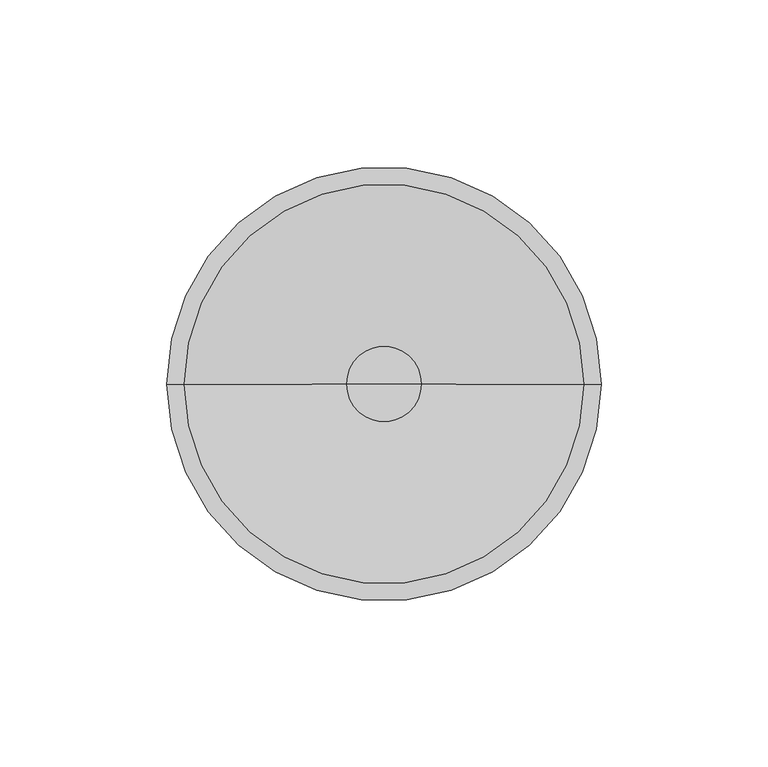
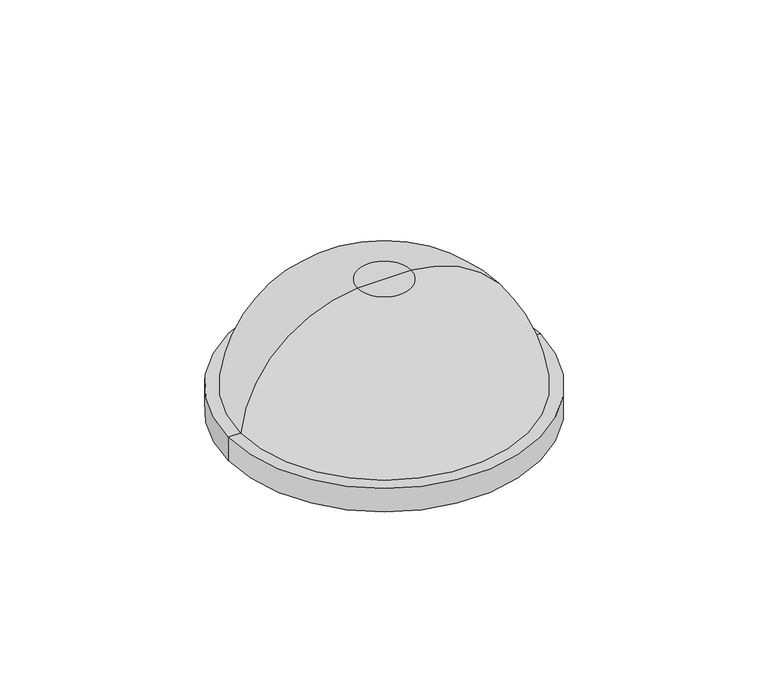
"""IFC4 building model written with IfcOpenShell, lengths in millimetres: light fixture geometry."""

from ifc_helpers import new_model, si_unit, point, frame, origin, place, context, project, spatial, circle_curve, ellipse_curve, trimmed, source, transform, mapped, element, save
from ifc_brep_helpers import plane_surface, cylinder_surface, revolved_surface, advanced_brep


def light_fixture_85058363(model_context):
    return source(origin(), model_context, "Body", "AdvancedBrep", [
        advanced_brep(
        [(59.8, 0.0, 10.4), (-59.8, 0.0, 10.4), (-11.3264966, 0.0, 57.2), (11.3264966, 0.0, 57.2), (65.0, 0.0, 10.4), (-65.0, 0.0, 10.4), (65.0, 0.0, 0.0), (-65.0, 0.0, 0.0), (-65.0, 0.0, 2.6), (-65.0, 0.0, 5.2), (-65.0, 0.0, 7.8), (65.0, 0.0, 7.8), (65.0, 0.0, 5.2), (65.0, 0.0, 2.6), (54.6, 0.0, 0.0), (-54.6, 0.0, 0.0), (11.2459085, 0.0, 46.8), (-11.2459085, 0.0, 46.8), (-53.9265768, 0.0, 7.8), (-54.520638, 0.0, 2.6), (54.520638, 0.0, 2.6), (53.9265768, 0.0, 7.8), (5.2, 0.0, 46.8), (-5.2, 0.0, 46.8), (0.0, 0.0, 57.2), (5.2, 0.0, 35.4), (-5.2, 0.0, 35.4), (1.0, 0.0, 31.2), (-1.0, 0.0, 31.2), (0.0, 0.0, 31.2)],
        [
            (0, 1, circle_curve(frame((0.0, 0.0, 10.4), z_axis=(0.0, 0.0, 1.0), x_axis=(-1.0, 0.0, 0.0)), 59.8)),
            (1, 2, circle_curve(frame((-7.7726178, 0.0, 5.0156149), z_axis=(0.0, 1.0, 0.0), x_axis=(1.0, 0.0, 0.0)), 52.3052589)),
            (2, 3, circle_curve(frame((0.0, 0.0, 57.2), z_axis=(0.0, 0.0, -1.0), x_axis=(-1.0, 0.0, 0.0)), 11.3264966)),
            (3, 0, circle_curve(frame((7.7726178, 0.0, 5.0156149), z_axis=(0.0, 1.0, 0.0), x_axis=(-1.0, 0.0, 0.0)), 52.3052589)),
            (1, 0, circle_curve(frame((0.0, 0.0, 10.4), z_axis=(0.0, 0.0, 1.0), x_axis=(-1.0, 0.0, 0.0)), 59.8)),
            (3, 2, circle_curve(frame((0.0, 0.0, 57.2), z_axis=(0.0, 0.0, -1.0), x_axis=(-1.0, 0.0, 0.0)), 11.3264966)),
            (4, 5, circle_curve(frame((0.0, 0.0, 10.4), z_axis=(0.0, 0.0, 1.0), x_axis=(-1.0, 0.0, 0.0)), 65.0)),
            (5, 1),
            (0, 4),
            (5, 4, circle_curve(frame((0.0, 0.0, 10.4), z_axis=(0.0, 0.0, 1.0), x_axis=(-1.0, 0.0, 0.0)), 65.0)),
            (6, 7, circle_curve(frame((0.0, 0.0, 0.0), z_axis=(0.0, 0.0, 1.0), x_axis=(-1.0, 0.0, 0.0)), 65.0)),
            (7, 8),
            (8, 9),
            (9, 10),
            (10, 5),
            (4, 11),
            (11, 12),
            (12, 13),
            (13, 6),
            (7, 6, circle_curve(frame((0.0, 0.0, 0.0), z_axis=(0.0, 0.0, 1.0), x_axis=(-1.0, 0.0, 0.0)), 65.0)),
            (14, 15, circle_curve(frame((0.0, 0.0, 0.0), z_axis=(0.0, 0.0, 1.0), x_axis=(-1.0, 0.0, 0.0)), 54.6)),
            (15, 7),
            (6, 14),
            (15, 14, circle_curve(frame((0.0, 0.0, 0.0), z_axis=(0.0, 0.0, 1.0), x_axis=(-1.0, 0.0, 0.0)), 54.6)),
            (16, 17, circle_curve(frame((0.0, 0.0, 46.8), z_axis=(0.0, 0.0, 1.0), x_axis=(-1.0, 0.0, 0.0)), 11.2459085)),
            (17, 18, circle_curve(frame((-7.5162838, 0.0, -0.135964), z_axis=(0.0, -1.0, 0.0), x_axis=(1.0, 0.0, 0.0)), 47.0839125)),
            (18, 19, circle_curve(frame((-7.5162838, 0.0, -0.135964), z_axis=(0.0, -1.0, 0.0), x_axis=(1.0, 0.0, 0.0)), 47.0839125)),
            (19, 15, circle_curve(frame((-7.5162838, 0.0, -0.135964), z_axis=(0.0, -1.0, 0.0), x_axis=(1.0, 0.0, 0.0)), 47.0839125)),
            (14, 20, circle_curve(frame((7.5162838, 0.0, -0.135964), z_axis=(0.0, -1.0, 0.0), x_axis=(-1.0, 0.0, 0.0)), 47.0839125)),
            (20, 21, circle_curve(frame((7.5162838, 0.0, -0.135964), z_axis=(0.0, -1.0, 0.0), x_axis=(-1.0, 0.0, 0.0)), 47.0839125)),
            (21, 16, circle_curve(frame((7.5162838, 0.0, -0.135964), z_axis=(0.0, -1.0, 0.0), x_axis=(-1.0, 0.0, 0.0)), 47.0839125)),
            (17, 16, circle_curve(frame((0.0, 0.0, 46.8), z_axis=(0.0, 0.0, 1.0), x_axis=(-1.0, 0.0, 0.0)), 11.2459085)),
            (22, 23, circle_curve(frame((0.0, 0.0, 46.8), z_axis=(0.0, 0.0, 1.0), x_axis=(-1.0, 0.0, 0.0)), 5.2)),
            (23, 17),
            (16, 22),
            (23, 22, circle_curve(frame((0.0, 0.0, 46.8), z_axis=(0.0, 0.0, 1.0), x_axis=(-1.0, 0.0, 0.0)), 5.2)),
            (2, 24),
            (24, 3),
            (25, 26, circle_curve(frame((0.0, 0.0, 35.4), z_axis=(0.0, 0.0, 1.0), x_axis=(-1.0, 0.0, 0.0)), 5.2)),
            (26, 23),
            (22, 25),
            (26, 25, circle_curve(frame((0.0, 0.0, 35.4), z_axis=(0.0, 0.0, 1.0), x_axis=(-1.0, 0.0, 0.0)), 5.2)),
            (27, 28, circle_curve(frame((0.0, 0.0, 31.2), z_axis=(0.0, 0.0, 1.0), x_axis=(-1.0, 0.0, 0.0)), 1.0)),
            (28, 26, circle_curve(frame((-1.0, 0.0, 35.4), z_axis=(0.0, 1.0, 0.0), x_axis=(1.0, 0.0, 0.0)), 4.2)),
            (25, 27, circle_curve(frame((1.0, 0.0, 35.4), z_axis=(0.0, 1.0, 0.0), x_axis=(-1.0, 0.0, 0.0)), 4.2)),
            (28, 27, circle_curve(frame((0.0, 0.0, 31.2), z_axis=(0.0, 0.0, 1.0), x_axis=(-1.0, 0.0, 0.0)), 1.0)),
            (29, 28),
            (27, 29),
        ],
        [
            revolved_surface(trimmed(ellipse_curve(frame((-7.7726178, 0.0, 5.0156149), z_axis=(0.0, -1.0, 0.0), x_axis=(1.0, 0.0, 0.0)), 52.3052589, 52.3052589), [point((-11.3264966, 0.0, 57.2))], [point((-59.8, 0.0, 10.4))], True, "CARTESIAN"), (0.0, 0.0, 2214.3150031), (0.0, 0.0, -1.0)),
            plane_surface(frame((0.0, 0.0, 10.4), z_axis=(0.0, 0.0, 1.0), x_axis=(-1.0, 0.0, 0.0))),
            cylinder_surface(frame((0.0, 0.0, 2214.3150031), z_axis=(0.0, 0.0, -1.0), x_axis=(-1.0, 0.0, 0.0)), 65.0),
            plane_surface(frame((0.0, 0.0, 0.0), z_axis=(0.0, 0.0, -1.0), x_axis=(-1.0, 0.0, 0.0))),
            revolved_surface(trimmed(ellipse_curve(frame((-7.5162838, 0.0, -0.135964), z_axis=(0.0, 1.0, 0.0), x_axis=(1.0, 0.0, 0.0)), 47.0839125, 47.0839125), [point((-54.6, 0.0, 0.0))], [point((-11.2459085, 0.0, 46.8))], True, "CARTESIAN"), (0.0, 0.0, 2214.3150031), (0.0, 0.0, -1.0)),
            plane_surface(frame((0.0, 0.0, 46.8), z_axis=(0.0, 0.0, -1.0), x_axis=(-1.0, 0.0, 0.0))),
            plane_surface(frame((0.0, 0.0, 57.2), z_axis=(0.0, 0.0, 1.0), x_axis=(-1.0, 0.0, 0.0))),
            cylinder_surface(frame((0.0, 0.0, 2214.3150031), z_axis=(0.0, 0.0, -1.0), x_axis=(-1.0, 0.0, 0.0)), 5.2),
            revolved_surface(trimmed(ellipse_curve(frame((-1.0, 0.0, 35.4), z_axis=(0.0, -1.0, 0.0), x_axis=(1.0, 0.0, 0.0)), 4.2, 4.2), [point((-5.2, 0.0, 35.4))], [point((-1.0, 0.0, 31.2))], True, "CARTESIAN"), (0.0, 0.0, 2214.3150031), (0.0, 0.0, -1.0)),
            plane_surface(frame((0.0, 0.0, 31.2), z_axis=(0.0, 0.0, -1.0), x_axis=(-1.0, 0.0, 0.0))),
        ],
        [
            (0, [[1, 2, 3, 4]]),
            (0, [[5, -4, 6, -2]]),
            (1, [[7, 8, -1, 9]]),
            (1, [[10, -9, -5, -8]]),
            (2, [[11, 12, 13, 14, 15, -7, 16, 17, 18, 19]]),
            (2, [[20, -19, -18, -17, -16, -10, -15, -14, -13, -12]]),
            (3, [[21, 22, -11, 23]]),
            (3, [[24, -23, -20, -22]]),
            (4, [[25, 26, 27, 28, -21, 29, 30, 31]]),
            (4, [[32, -31, -30, -29, -24, -28, -27, -26]]),
            (5, [[33, 34, -25, 35]]),
            (5, [[36, -35, -32, -34]]),
            (6, [[-3, 37, 38]]),
            (6, [[-6, -38, -37]]),
            (7, [[39, 40, -33, 41]]),
            (7, [[42, -41, -36, -40]]),
            (8, [[43, 44, -39, 45]]),
            (8, [[46, -45, -42, -44]]),
            (9, [[47, -43, 48]]),
            (9, [[-48, -46, -47]]),
        ],
    ),
    ])


if __name__ == "__main__":
    model = new_model("IFC4")
    model_context = context("Model", 3, world=origin())
    ifc_project = project(units=[si_unit("LENGTHUNIT", "METRE", prefix="MILLI")], contexts=[model_context])
    site = spatial("IfcSite", under=ifc_project)
    building = spatial("IfcBuilding", under=site)
    placement = place(None, origin())
    light_fixture_shape = light_fixture_85058363(model_context)
    element("IfcLightFixture", 1, at=placement, inside=building, context=model_context, shape_type="MappedRepresentation", body=[
        mapped(light_fixture_shape, transform((0.0, 0.0, 0.0), x_axis=(1.0, 0.0, 0.0), y_axis=(0.0, 1.0, 0.0), z_axis=(0.0, 0.0, 1.0))),
    ])
    save(model, "model.ifc")
